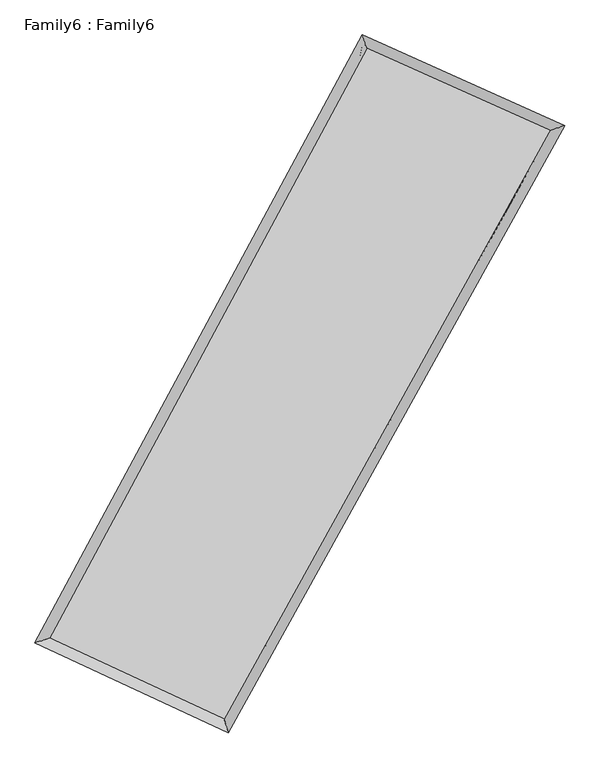
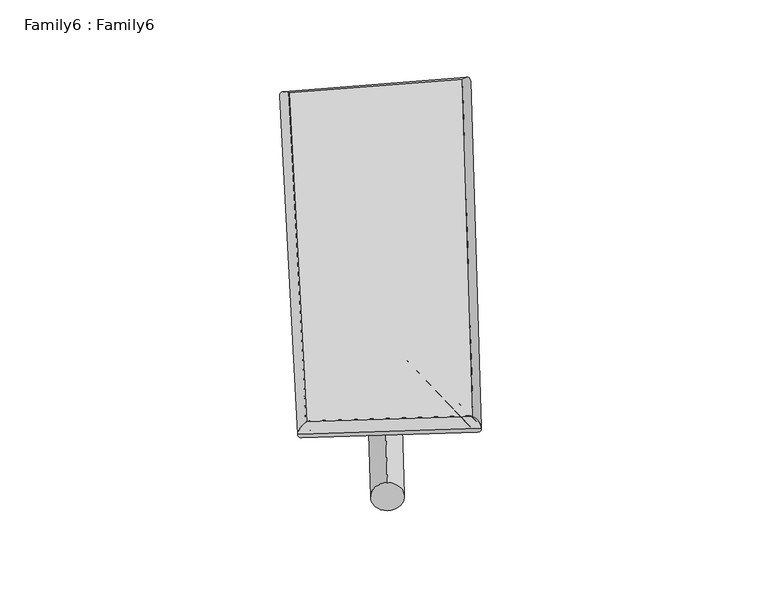
"""IFC4 building model written with IfcOpenShell, lengths in millimetres: plate geometry, Family6 : Family6."""

from ifc_helpers import new_model, si_unit, point, frame, origin, origin_2d, place, context, project, spatial, circle_curve, ellipse_curve, trimmed, segment, composite_curve, outline, extrude, source, transform, mapped, element, save
from ifc_brep_helpers import plane_surface, cylinder_surface, spline_surface, advanced_brep


def family6_family6_da6b5b9d(model_context):
    return source(origin(), model_context, "Body", "SolidModel", [
        extrude(outline(composite_curve([segment(trimmed(circle_curve(origin_2d(), 76.2), [point((-75.4341514, -10.7763073))], [point((75.4341514, 10.7763073))], False, "CARTESIAN"), True, "CONTINUOUS"), segment(trimmed(circle_curve(origin_2d(), 76.2), [point((75.4341514, 10.7763073))], [point((-75.4341514, -10.7763073))], False, "CARTESIAN"), True, "CONTINUOUS")], self_intersect=False)), frame((9144.0, 9144.0, 0.0), z_axis=(0.6802583604943448, 0.6815703976055586, 0.2696485788676566), x_axis=(-0.6736512438056635, 0.7263419525310087, -0.13646013964716705)), (0.0, 0.0, 1.0), 5777.3191222),
        extrude(outline(composite_curve([segment(trimmed(circle_curve(origin_2d(), 76.2), [point((-53.8815367, 53.8815367))], [point((53.8815367, -53.8815367))], False, "CARTESIAN"), True, "CONTINUOUS"), segment(trimmed(circle_curve(origin_2d(), 76.2), [point((53.8815367, -53.8815367))], [point((-53.8815367, 53.8815367))], False, "CARTESIAN"), True, "CONTINUOUS")], self_intersect=False)), frame((9144.0, 9144.0, 0.0), z_axis=(-0.6729805250190478, -0.6879275460554741, 0.27175890845229056), x_axis=(0.6410708215653919, -0.359214762308891, 0.6782278055910422)), (0.0, 0.0, 1.0), 5736.3627559),
        extrude(outline(composite_curve([segment(trimmed(circle_curve(origin_2d(), 76.2), [point((-53.8815367, -53.8815367))], [point((53.8815367, 53.8815367))], False, "CARTESIAN"), True, "CONTINUOUS"), segment(trimmed(circle_curve(origin_2d(), 76.2), [point((53.8815367, 53.8815367))], [point((-53.8815367, -53.8815367))], False, "CARTESIAN"), True, "CONTINUOUS")], self_intersect=False)), frame((9144.0, 9144.0, 0.0), z_axis=(0.19349362498738099, 0.9434994621880697, 0.26901483591071035), x_axis=(-0.8520570348949932, 0.2975337390547141, -0.43066516391516263)), (0.0, 0.0, 1.0), 5532.5060682),
        extrude(outline(composite_curve([segment(trimmed(circle_curve(origin_2d(), 76.2), [point((-75.4341514, 10.7763074))], [point((75.4341514, -10.7763074))], False, "CARTESIAN"), True, "CONTINUOUS"), segment(trimmed(circle_curve(origin_2d(), 76.2), [point((75.4341514, -10.7763074))], [point((-75.4341514, 10.7763074))], False, "CARTESIAN"), True, "CONTINUOUS")], self_intersect=False)), frame((9144.0, 9144.0, 0.0), z_axis=(-0.20480982670862458, -0.9412429777058413, 0.26854160162444923), x_axis=(0.8978126610370545, -0.07137895292399252, 0.43455433579822633)), (0.0, 0.0, 1.0), 5537.8627393),
        advanced_brep(
        [(5072.92645, 5127.8036808, 1554.9971586), (5072.8374205, 5127.6437347, 1564.9280446), (5494.1527116, 5267.7924113, 1562.8182034), (10281.4747267, 14166.8943137, 1494.2928306), (10147.5345821, 14560.9386861, 1482.3595936), (5494.2417411, 5267.9523574, 1552.8873175), (12860.4717501, 13010.4378924, 1556.9915439), (13287.6675181, 13152.86149, 1558.700238), (7945.2035243, 4129.5448523, 1488.3724236), (8074.3790598, 3733.506318, 1485.9206355)],
        [
            (0, 1, ellipse_curve(frame((5283.5395808, 5197.798046, 1558.907681), z_axis=(-0.3155597628469402, 0.9488239909460728, 0.012452721676389812), x_axis=(-0.948604308464967, -0.3157631020071437, 0.021060137049121)), 222.160526, 152.4)),
            (1, 2, ellipse_curve(frame((5283.5395808, 5197.798046, 1558.907681), z_axis=(-0.3155597628469402, 0.9488239909460728, 0.012452721676389812), x_axis=(-0.948604308464967, -0.3157631020071437, 0.021060137049121)), 222.160526, 152.4)),
            (2, 3),
            (3, 4, ellipse_curve(frame((10214.5046544, 14363.9164999, 1488.3262121), z_axis=(-0.9466488930690857, -0.32209514880315904, -0.01051610044385752), x_axis=(0.3218285811659255, -0.9465593648555176, 0.021254014892401)), 208.1835577, 152.4)),
            (4, 0),
            (2, 5, ellipse_curve(frame((5283.5395808, 5197.798046, 1558.907681), z_axis=(-0.3155597628469402, 0.9488239909460728, 0.012452721676389812), x_axis=(-0.948604308464967, -0.3157631020071437, 0.021060137049121)), 222.160526, 152.4)),
            (5, 0, ellipse_curve(frame((5283.5395808, 5197.798046, 1558.907681), z_axis=(-0.3155597628469402, 0.9488239909460728, 0.012452721676389812), x_axis=(-0.948604308464967, -0.3157631020071437, 0.021060137049121)), 222.160526, 152.4)),
            (4, 3, ellipse_curve(frame((10214.5046544, 14363.9164999, 1488.3262121), z_axis=(-0.9466488930690857, -0.32209514880315904, -0.01051610044385752), x_axis=(0.3218285811659255, -0.9465593648555176, 0.021254014892401)), 208.1835577, 152.4)),
            (3, 6),
            (6, 7, ellipse_curve(frame((13074.0696341, 13081.6496912, 1557.845891), z_axis=(-0.31621622503440555, 0.9486187590041435, -0.011390745824069255), x_axis=(-0.9484262496592857, -0.3163880450243307, -0.019653343809754108)), 225.1910254, 152.4)),
            (7, 4),
            (7, 6, ellipse_curve(frame((13074.0696341, 13081.6496912, 1557.845891), z_axis=(-0.31621622503440555, 0.9486187590041435, -0.011390745824069255), x_axis=(-0.9484262496592857, -0.3163880450243307, -0.019653343809754108)), 225.1910254, 152.4)),
            (6, 8),
            (8, 9, ellipse_curve(frame((8009.791292, 3931.5255852, 1487.1465296), z_axis=(0.9506205039999442, 0.3101354184879613, -0.01169100398551101), x_axis=(-0.3098286919200975, 0.9505270471277086, 0.022461396701008076)), 208.3148271, 152.4)),
            (9, 7),
            (9, 8, ellipse_curve(frame((8009.791292, 3931.5255852, 1487.1465296), z_axis=(0.9506205039999442, 0.3101354184879613, -0.01169100398551101), x_axis=(-0.3098286919200975, 0.9505270471277086, 0.022461396701008076)), 208.3148271, 152.4)),
            (8, 5),
            (1, 9),
        ],
        [
            cylinder_surface(frame((5283.5395808, 5197.798046, 1558.907681), z_axis=(-0.4737435080146122, -0.8806367610410105, 0.006781129493509591), x_axis=(-0.8802874652888795, 0.47330272035301185, -0.03284072718011573)), 152.4),
            cylinder_surface(frame((10214.5046544, 14363.9164999, 1488.3262121), z_axis=(-0.9122381027471183, 0.40905964683826623, -0.022177674018963454), x_axis=(0.40946485418010437, 0.9121380354314024, -0.018513171273657557)), 152.4),
            cylinder_surface(frame((13074.0696341, 13081.6496912, 1557.845891), z_axis=(0.484233899541912, 0.8749124708128894, 0.006760099889700029), x_axis=(0.8749368447243279, -0.4842338995419119, -0.0017459319204714652)), 152.4),
            cylinder_surface(frame((8009.791292, 3931.5255852, 1487.1465296), z_axis=(0.9066854777383101, -0.42113163888183175, -0.023866025876868223), x_axis=(-0.4209019381336239, -0.9069951397250974, 0.014190665608433692)), 152.4),
        ],
        [
            (0, [[1, 2, 3, 4, 5]]),
            (0, [[6, 7, -5, 8, -3]]),
            (1, [[-4, 9, 10, 11]]),
            (1, [[-8, -11, 12, -9]]),
            (2, [[-10, 13, 14, 15]]),
            (2, [[-12, -15, 16, -13]]),
            (3, [[-14, 17, -6, -2, 18]]),
            (3, [[-16, -18, -1, -7, -17]]),
        ],
    ),
        extrude(outline(composite_curve([segment(trimmed(circle_curve(origin_2d(), 304.8), [point((0.0, 304.8))], [point((0.0, -304.8))], False, "CARTESIAN"), True, "CONTINUOUS"), segment(trimmed(circle_curve(origin_2d(), 304.8), [point((0.0, -304.8))], [point((0.0, 304.8))], False, "CARTESIAN"), True, "CONTINUOUS")], self_intersect=False)), frame((11682.2731402, 13725.0332372, -0.0705849), z_axis=(-0.48465843219684374, -0.8747034948591748, 1.3477497712815902e-05), x_axis=(-0.8747034949560665, 0.4846584321968438, -3.4842752090354297e-06)), (0.0, 0.0, 1.0), 10474.4825285),
        advanced_brep(
        [(5283.5395808, 5197.798046, 1558.907681), (8009.791292, 3931.5255852, 1487.1465296), (8009.7762203, 3931.5305255, 1639.5465288), (5283.5245091, 5197.8029864, 1711.3076802), (13074.0696341, 13081.6496912, 1557.845891), (13074.0545624, 13081.6546315, 1710.2458901), (10214.5046544, 14363.9164999, 1488.3262121), (10214.4895826, 14363.9214402, 1640.7262113)],
        [
            (0, 1),
            (1, 2),
            (2, 3),
            (3, 0),
            (1, 4),
            (4, 5),
            (5, 2),
            (4, 6),
            (6, 7),
            (7, 5),
            (6, 0),
            (3, 7),
        ],
        [
            plane_surface(frame((6646.6654364, 4564.6618156, 1523.0271053), z_axis=(-0.4212518911484246, -0.906943682955876, -1.225999439264519e-05), x_axis=(0.9066854777383099, -0.4211316388818317, -0.02386602587686824))),
            plane_surface(frame((10541.9304631, 8506.5876382, 1522.4962103), z_axis=(0.8749321235711147, -0.48424556651905865, 0.00010222512409475493), x_axis=(0.484233899541912, 0.8749124708128894, 0.00676009988970001))),
            plane_surface(frame((11644.2871443, 13722.7830955, 1523.0860515), z_axis=(0.40916006144218725, 0.912462626085111, 1.0885252317283794e-05), x_axis=(-0.9122381027471179, 0.4090596468382664, -0.022177674018963464))),
            plane_surface(frame((7749.0221176, 9780.857273, 1523.6169466), z_axis=(-0.8806573337345197, 0.4737537863103105, -0.00010245121563332883), x_axis=(-0.47374350801461246, -0.8806367610410102, 0.006781129493509573))),
            spline_surface(1, 1, [[(8009.7762203, 3931.5305255, 1639.5465288), (5283.5245091, 5197.8029864, 1711.3076802)], [(13074.0545624, 13081.6546315, 1710.2458901), (10214.4895826, 14363.9214402, 1640.7262113)]], [2, 2], [2, 2], [0.0, 1.0], [0.0, 1.0]),
            spline_surface(1, 1, [[(10214.5046544, 14363.9164999, 1488.3262121), (5283.5395808, 5197.798046, 1558.907681)], [(13074.0696341, 13081.6496912, 1557.845891), (8009.791292, 3931.5255852, 1487.1465296)]], [2, 2], [2, 2], [0.0, 1.0], [0.0, 1.0]),
        ],
        [
            (0, [[1, 2, 3, 4]]),
            (1, [[5, 6, 7, -2]]),
            (2, [[8, 9, 10, -6]]),
            (3, [[11, -4, 12, -9]]),
            (4, [[-3, -7, -10, -12]]),
            (5, [[-11, -8, -5, -1]]),
        ],
    ),
    ])


if __name__ == "__main__":
    model = new_model("IFC4")
    model_context = context("Model", 3, world=origin())
    ifc_project = project(units=[si_unit("LENGTHUNIT", "METRE", prefix="MILLI")], contexts=[model_context])
    site = spatial("IfcSite", under=ifc_project)
    building = spatial("IfcBuilding", under=site)
    placement = place(None, origin())
    family6_family6_shape = family6_family6_da6b5b9d(model_context)
    element("IfcPlate", 1, ObjectType="Family6 : Family6", at=placement, inside=building, context=model_context, shape_type="MappedRepresentation", body=[
        mapped(family6_family6_shape, transform((0.0, 0.0, 0.0), x_axis=(1.0, 0.0, 0.0), y_axis=(0.0, 1.0, 0.0), z_axis=(0.0, 0.0, 1.0))),
    ])
    save(model, "model.ifc")
